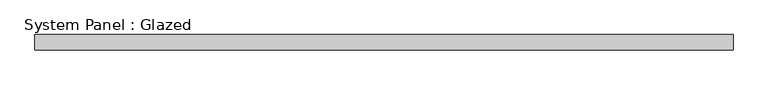
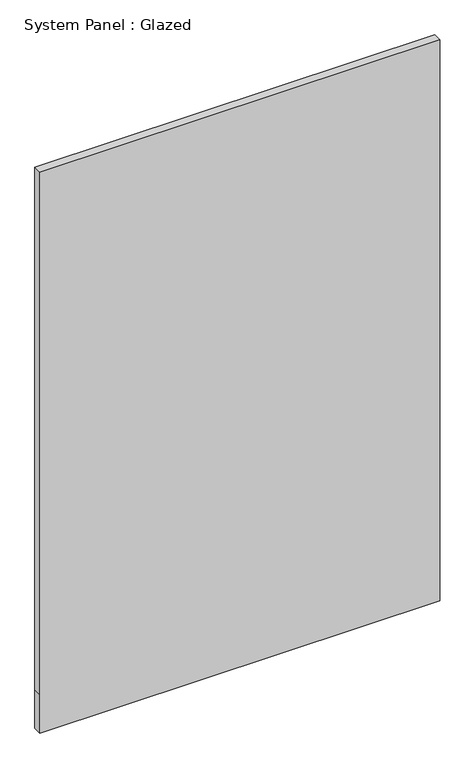
"""IFC4 building model written with IfcOpenShell, lengths in millimetres: plate geometry, System Panel : Glazed."""

from ifc_helpers import new_model, si_unit, frame, origin, place, context, project, spatial, polyline, outline, extrude, source, transform, mapped, element, save


def system_panel_glazed_cc94383a(model_context):
    return source(origin(), model_context, "Body", "SweptSolid", [
        extrude(outline(polyline([(0.0, -570.0), (0.0, 570.0), (115.0, 570.0), (1690.0, 570.0), (1690.0, -570.0), (115.0, -570.0), (0.0, -570.0)])), frame((0.0, 24.5, 0.0), z_axis=(0.0, 1.0, 0.0), x_axis=(0.0, 0.0, 1.0)), (0.0, 0.0, 1.0), 25.0),
    ])


if __name__ == "__main__":
    model = new_model("IFC4")
    model_context = context("Model", 3, world=origin())
    ifc_project = project(units=[si_unit("LENGTHUNIT", "METRE", prefix="MILLI")], contexts=[model_context])
    site = spatial("IfcSite", under=ifc_project)
    building = spatial("IfcBuilding", under=site)
    placement = place(None, origin())
    system_panel_glazed_shape = system_panel_glazed_cc94383a(model_context)
    element("IfcPlate", 1, ObjectType="System Panel : Glazed", at=placement, inside=building, context=model_context, shape_type="MappedRepresentation", body=[
        mapped(system_panel_glazed_shape, transform((0.0, 0.0, 0.0), x_axis=(1.0, 0.0, 0.0), y_axis=(0.0, 1.0, 0.0), z_axis=(0.0, 0.0, 1.0))),
    ])
    save(model, "model.ifc")
